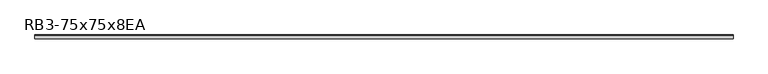
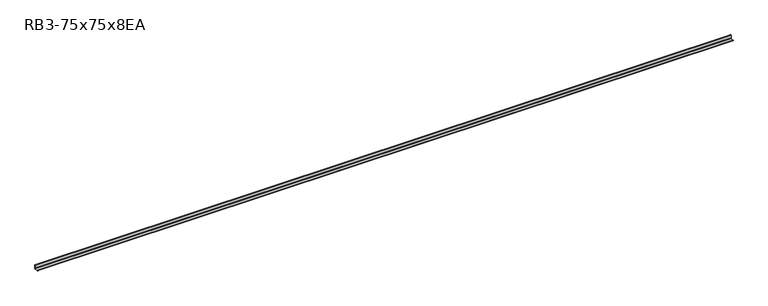
"""IFC4 building model written with IfcOpenShell, lengths in millimetres: member geometry, RB3-75x75x8EA."""

from ifc_helpers import new_model, si_unit, point, frame, frame_2d, origin, place, context, project, spatial, polyline, circle_curve, trimmed, segment, composite_curve, outline, extrude, source, transform, mapped, element, save


def rb3_75x75x8ea_37d46b10(model_context):
    return source(origin(), model_context, "Body", "SweptSolid", [
        extrude(outline(composite_curve([segment(polyline([(21.3, -21.3), (-53.7, -21.3), (-53.7, -18.3)]), True, "CONTINUOUS"), segment(trimmed(circle_curve(frame_2d((-48.7, -18.3)), 5.0), [point((-53.7, -18.3))], [point((-48.7, -13.3))], False, "CARTESIAN"), True, "CONTINUOUS"), segment(polyline([(-48.7, -13.3), (5.3, -13.3)]), True, "CONTINUOUS"), segment(trimmed(circle_curve(frame_2d((5.3, -5.3)), 8.0), [point((5.3, -13.3))], [point((13.3, -5.3))], True, "CARTESIAN"), True, "CONTINUOUS"), segment(polyline([(13.3, -5.3), (13.3, 48.7)]), True, "CONTINUOUS"), segment(trimmed(circle_curve(frame_2d((18.3, 48.7)), 5.0), [point((13.3, 48.7))], [point((18.3, 53.7))], False, "CARTESIAN"), True, "CONTINUOUS"), segment(polyline([(18.3, 53.7), (21.3, 53.7), (21.3, -21.3)]), True, "CONTINUOUS")], self_intersect=False)), frame((-6840.5, 0.0, 0.0), z_axis=(1.0, 0.0, 0.0), x_axis=(0.0, 1.0, 0.0)), (0.0, 0.0, 1.0), 13605.0),
    ])


if __name__ == "__main__":
    model = new_model("IFC4")
    model_context = context("Model", 3, world=origin())
    ifc_project = project(units=[si_unit("LENGTHUNIT", "METRE", prefix="MILLI")], contexts=[model_context])
    site = spatial("IfcSite", under=ifc_project)
    building = spatial("IfcBuilding", under=site)
    placement = place(None, origin())
    rb3_75x75x8ea_shape = rb3_75x75x8ea_37d46b10(model_context)
    element("IfcMember", 1, ObjectType="RB3-75x75x8EA", at=placement, inside=building, context=model_context, shape_type="MappedRepresentation", body=[
        mapped(rb3_75x75x8ea_shape, transform((0.0, 0.0, 0.0), x_axis=(1.0, 0.0, 0.0), y_axis=(0.0, 1.0, 0.0), z_axis=(0.0, 0.0, 1.0))),
    ])
    save(model, "model.ifc")
